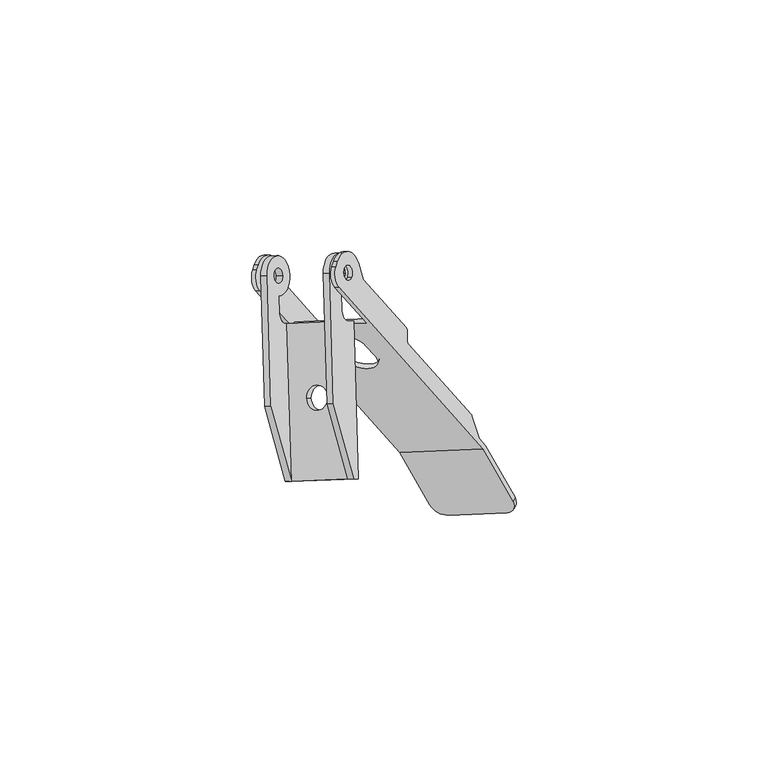
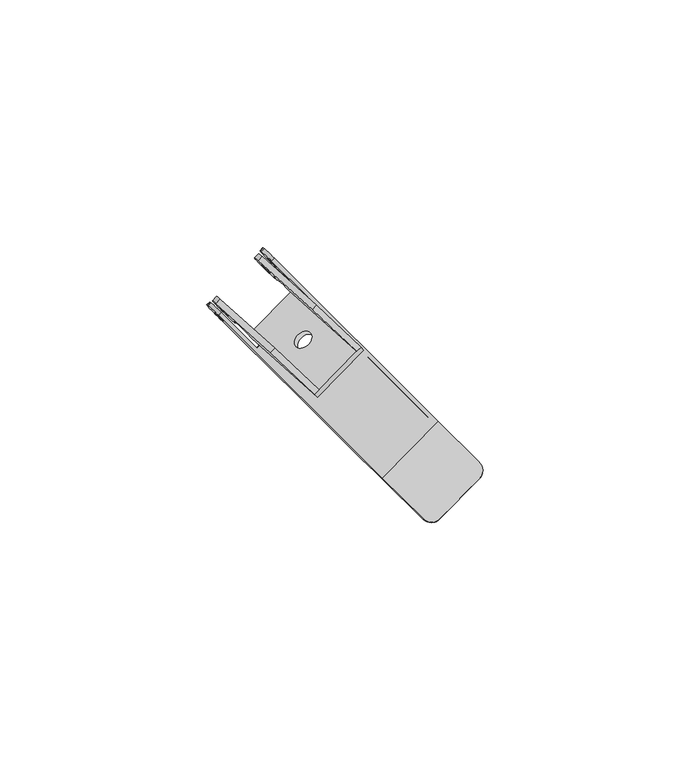
"""IFC4 building model written with IfcOpenShell, lengths in millimetres: proxy geometry."""

from ifc_helpers import new_model, si_unit, frame, origin, place, context, project, spatial, polyline, circle_curve, source, transform, mapped, element, save
from ifc_brep_helpers import plane_surface, cylinder_surface, revolved_surface, advanced_brep


def generic_models_d4cafb9f(model_context):
    return source(origin(), model_context, "Body", "AdvancedBrep", [
        advanced_brep(
        [(706.24065, 15.0870928, -377.8010434), (707.0804301, 15.0870928, -379.043931), (706.1473701, 46.4893429, -379.6743703), (705.0276634, 46.4893429, -378.0171868), (703.8485685, 48.4880583, -376.4001301), (703.7446393, 51.9858101, -376.4703519), (701.3864495, 55.9832407, -373.2362385), (702.1575779, 30.030818, -372.7152112), (702.7860829, 55.9832407, -375.3077177), (704.465643, 55.9832407, -377.7934928), (703.2235538, 55.9294855, -378.6327334), (701.5439938, 55.9294855, -376.1469583), (689.1231018, 55.3919336, -384.5393645), (690.365191, 55.4456888, -383.7001239), (692.0447511, 55.4456888, -386.185899), (690.8026619, 55.3919336, -387.0251396), (700.9154887, 29.9770628, -373.5544519), (700.1443603, 55.9294855, -374.0754791), (702.5025501, 51.9320549, -377.3095925), (702.6064793, 48.4343031, -377.2393708), (703.7855742, 46.4355878, -378.8564275), (704.0655009, 46.4355878, -379.2707233), (704.9985608, 15.0333376, -378.640284), (692.5776689, 14.4957857, -387.0326902), (693.8197581, 14.5495409, -386.1934496), (689.736686, 29.4932661, -381.1076174), (688.4945968, 29.4395109, -381.9468581), (693.417449, 14.4957857, -388.2755778), (692.8866982, 45.951791, -386.8238889), (700.9916592, 31.2929165, -381.3476215), (696.8513619, 31.1137326, -384.1450902), (692.6067715, 45.951791, -386.409593), (691.4276766, 47.9505063, -384.7925363), (691.3237474, 51.4482581, -384.8627581), (688.9655576, 55.4456888, -381.6286447), (687.7234684, 55.3919336, -382.4678853), (690.0816582, 51.394503, -385.7019987), (690.1855874, 47.8967512, -385.631777), (691.3646823, 45.8980358, -387.2488337), (692.484389, 45.8980358, -388.9060171), (697.691142, 31.1137326, -385.3879778), (701.8314393, 31.2929165, -382.5905091)],
        [
            (0, 1),
            (1, 2),
            (2, 3),
            (3, 4, circle_curve(frame((704.9682753, 48.4880583, -378.0573135), z_axis=(-0.8280594613883611, -0.0358367941265644, -0.5594937466960177), x_axis=(-0.5598533652634627, 0.0, 0.8285917024706293)), 2.0)),
            (4, 5),
            (5, 6, circle_curve(frame((703.625863, 55.9832407, -376.5506053), z_axis=(0.8280594613883611, 0.0358367941265644, 0.5594937466960177), x_axis=(0.5598533652634627, 0.0, -0.8285917024706293)), 4.0)),
            (6, 7),
            (7, 0),
            (8, 9, circle_curve(frame((703.625863, 55.9832407, -376.5506053), z_axis=(-0.8280594613883612, -0.03583679412656441, -0.5594937466960177), x_axis=(0.5598533652634626, 0.0, -0.8285917024706292)), 1.5)),
            (9, 8, circle_curve(frame((703.625863, 55.9832407, -376.5506053), z_axis=(-0.8280594613883612, -0.03583679412656441, -0.5594937466960177), x_axis=(0.5598533652634626, 0.0, -0.8285917024706292)), 1.5)),
            (9, 10),
            (10, 11, circle_curve(frame((702.3837738, 55.9294855, -377.3898459), z_axis=(-0.8280594613883612, -0.03583679412656441, -0.5594937466960177), x_axis=(0.5598533652634626, 0.0, -0.8285917024706292)), 1.5)),
            (11, 8),
            (12, 13),
            (13, 14, circle_curve(frame((691.2049711, 55.4456888, -384.9430115), z_axis=(0.8280594613883612, 0.03583679412656441, 0.5594937466960177), x_axis=(0.5598533652634626, 0.0, -0.8285917024706292)), 1.5)),
            (14, 15),
            (15, 12, circle_curve(frame((689.9628819, 55.3919336, -385.7822521), z_axis=(-0.8280594613883612, -0.03583679412656441, -0.5594937466960177), x_axis=(0.5598533652634626, 0.0, -0.8285917024706292)), 1.5)),
            (11, 10, circle_curve(frame((702.3837738, 55.9294855, -377.3898459), z_axis=(-0.8280594613883612, -0.03583679412656441, -0.5594937466960177), x_axis=(0.5598533652634626, 0.0, -0.8285917024706292)), 1.5)),
            (14, 13, circle_curve(frame((691.2049711, 55.4456888, -384.9430115), z_axis=(0.8280594613883612, 0.03583679412656441, 0.5594937466960177), x_axis=(0.5598533652634626, 0.0, -0.8285917024706292)), 1.5)),
            (12, 15, circle_curve(frame((689.9628819, 55.3919336, -385.7822521), z_axis=(-0.8280594613883612, -0.03583679412656441, -0.5594937466960177), x_axis=(0.5598533652634626, 0.0, -0.8285917024706292)), 1.5)),
            (16, 17),
            (17, 18, circle_curve(frame((702.3837738, 55.9294855, -377.3898459), z_axis=(-0.8280594613883611, -0.0358367941265644, -0.5594937466960177), x_axis=(0.5598533652634627, 0.0, -0.8285917024706293)), 4.0)),
            (18, 19),
            (19, 20, circle_curve(frame((703.7261861, 48.4343031, -378.8965542), z_axis=(0.8280594613883611, 0.0358367941265644, 0.5594937466960177), x_axis=(-0.5598533652634627, 0.0, 0.8285917024706293)), 2.0)),
            (20, 21),
            (21, 22),
            (22, 16),
            (7, 16),
            (22, 0),
            (23, 24),
            (24, 25),
            (25, 26),
            (26, 23),
            (23, 27),
            (27, 1),
            (22, 24),
            (21, 28),
            (28, 24),
            (29, 30, circle_curve(frame((698.9215106, 31.2033246, -382.7463559), z_axis=(0.5598533652634629, 0.0, -0.8285917024706293), x_axis=(-0.828059461388361, -0.0358367941265644, -0.5594937466960178)), 2.5)),
            (30, 29, circle_curve(frame((698.9215106, 31.2033246, -382.7463559), z_axis=(0.5598533652634629, 0.0, -0.8285917024706293), x_axis=(-0.828059461388361, -0.0358367941265644, -0.5594937466960178)), 2.5)),
            (28, 31),
            (31, 32, circle_curve(frame((692.5473833, 47.9505063, -386.4497197), z_axis=(-0.8280594613883611, -0.0358367941265644, -0.5594937466960177), x_axis=(-0.5598533652634627, 0.0, 0.8285917024706293)), 2.0)),
            (32, 33),
            (33, 34, circle_curve(frame((691.2049711, 55.4456888, -384.9430115), z_axis=(0.8280594613883611, 0.0358367941265644, 0.5594937466960177), x_axis=(0.5598533652634627, 0.0, -0.8285917024706293)), 4.0)),
            (34, 25),
            (34, 35),
            (35, 26),
            (35, 36, circle_curve(frame((689.9628819, 55.3919336, -385.7822521), z_axis=(-0.8280594613883611, -0.0358367941265644, -0.5594937466960177), x_axis=(0.5598533652634627, 0.0, -0.8285917024706293)), 4.0)),
            (36, 37),
            (37, 38, circle_curve(frame((691.3052941, 47.8967512, -387.2889604), z_axis=(0.8280594613883611, 0.0358367941265644, 0.5594937466960177), x_axis=(-0.5598533652634627, 0.0, 0.8285917024706293)), 2.0)),
            (38, 39),
            (39, 27),
            (39, 2),
            (40, 41, circle_curve(frame((699.7612906, 31.2033246, -383.9892434), z_axis=(-0.5598533652634629, 0.0, 0.8285917024706293), x_axis=(-0.828059461388361, -0.0358367941265644, -0.5594937466960178)), 2.5)),
            (41, 40, circle_curve(frame((699.7612906, 31.2033246, -383.9892434), z_axis=(-0.5598533652634629, 0.0, 0.8285917024706293), x_axis=(-0.828059461388361, -0.0358367941265644, -0.5594937466960178)), 2.5)),
            (38, 31),
            (20, 3),
            (19, 4),
            (18, 5),
            (36, 33),
            (32, 37),
            (17, 6),
            (30, 40),
            (41, 29),
        ],
        [
            plane_surface(frame((707.8439442, 36.4957664, -381.545216), z_axis=(0.8280594613883612, 0.03583679412656441, 0.5594937466960177), x_axis=(0.5598533652634627, 0.0, -0.8285917024706293))),
            revolved_surface(polyline([(703.2235538459246, 55.9294855109119, -378.63273346866816), (704.4656430423704, 55.98324070229059, -377.793492845676)]), (689.9628819, 55.3919336, -385.7822521), (-0.8280594613883608, -0.035836794126564396, -0.5594937466960175)),
            revolved_surface(polyline([(690.8026619336156, 55.39193359938201, -387.0251396633542), (692.0447511363817, 55.44568879103422, -386.1858990360916)]), (689.9628819, 55.3919336, -385.7822521), (-0.8280594613883608, -0.035836794126564396, -0.5594937466960175)),
            plane_surface(frame((706.601855, 36.4420112, -382.3844566), z_axis=(-0.8280594613883612, -0.03583679412656441, -0.5594937466960177), x_axis=(0.5598533652634627, 0.0, -0.8285917024706293))),
            plane_surface(frame((688.4945968, 29.4395109, -381.9468581), z_axis=(-0.5016053522216275, -0.39839535087401956, 0.767901826423524), x_axis=(0.2504188471897324, -0.916513430664656, -0.31191911192401844))),
            plane_surface(frame((668.0707618, 13.3382573, -408.4187051), z_axis=(0.029694070256419174, -0.9993576557903234, 0.02006334979201139), x_axis=(0.8280594613883611, 0.0358367941265644, 0.5594937466960178))),
            plane_surface(frame((705.6045308, 36.4957664, -378.2308492), z_axis=(-0.5598533652634627, 0.0, 0.8285917024706294), x_axis=(-0.029694070256419146, 0.9993576557903233, -0.020063349792011374))),
            plane_surface(frame((695.4230523, 35.9582145, -389.9376222), z_axis=(0.8280594613883612, 0.03583679412656441, 0.5594937466960177), x_axis=(0.5598533652634627, 0.0, -0.8285917024706293))),
            plane_surface(frame((688.0797973, 43.3996417, -382.2271251), z_axis=(-0.5598533652634627, 0.0, 0.8285917024706294), x_axis=(-0.029694070256419146, 0.9993576557903233, -0.020063349792011374))),
            plane_surface(frame((694.1809631, 35.9044593, -390.7768628), z_axis=(-0.8280594613883612, -0.03583679412656441, -0.5594937466960177), x_axis=(0.5598533652634627, 0.0, -0.8285917024706293))),
            plane_surface(frame((705.7465002, 59.9806713, -379.9452255), z_axis=(0.5598533652634627, 0.0, -0.8285917024706294), x_axis=(0.029694070256419146, -0.9993576557903233, 0.020063349792011374))),
            plane_surface(frame((704.9052809, 46.4355878, -380.5136109), z_axis=(-0.029694070256419174, 0.9993576557903234, -0.02006334979201139), x_axis=(-0.8280594613883611, -0.0358367941265644, -0.5594937466960178))),
            revolved_surface(polyline([(703.8485685654483, 48.48805822948303, -376.4001300845853), (702.6064792807067, 48.434303034283076, -377.2393707672362)]), (638.3972629, 45.606995, -423.0372538), (0.8280594613883611, 0.0358367941265644, 0.5594937466960177)),
            plane_surface(frame((690.2449755, 45.8980358, -385.5916503), z_axis=(0.5598533652634627, 0.0, -0.8285917024706294), x_axis=(-0.029694070256419146, 0.9993576557903233, -0.020063349792011374))),
            cylinder_surface(frame((637.0548507, 53.1021774, -421.5305455), z_axis=(0.8280594613883611, 0.0358367941265644, 0.5594937466960177), x_axis=(0.5598533652634627, 0.0, -0.8285917024706293)), 4.0),
            plane_surface(frame((701.7427784, 43.9909488, -372.9954783), z_axis=(-0.5598533652634627, 0.0, 0.8285917024706294), x_axis=(-0.029694070256419146, 0.9993576557903233, -0.020063349792011374))),
            revolved_surface(polyline([(691.4276766292496, 47.95050631691924, -384.7925362954129), (690.1855873560754, 47.896751122219904, -385.631776970248)]), (638.3972629, 45.606995, -423.0372538), (0.8280594613883611, 0.0358367941265644, 0.5594937466960177)),
            revolved_surface(polyline([(697.6911419750475, 31.113732614683588, -385.3879778456494), (696.8513618759902, 31.113732614683588, -384.1450902162227)]), (698.3616572, 31.2033246, -381.9177642), (0.5598533652634627, 0.0, -0.8285917024706291)),
        ],
        [
            (0, [[1, 2, 3, 4, 5, 6, 7, 8], [9, 10]]),
            (1, [[11, 12, 13, -10]]),
            (2, [[14, 15, 16, 17]]),
            (1, [[-13, 18, -11, -9]]),
            (2, [[-16, 19, -14, 20]]),
            (3, [[21, 22, 23, 24, 25, 26, 27], [-18, -12]]),
            (4, [[28, -27, 29, -8]]),
            (4, [[30, 31, 32, 33]]),
            (5, [[34, 35, -1, -29, 36, -30]]),
            (6, [[-26, 37, 38, -36], [39, 40]]),
            (7, [[-38, 41, 42, 43, 44, 45, -31], [-19, -15]]),
            (8, [[-45, 46, 47, -32]]),
            (9, [[-47, 48, 49, 50, 51, 52, -34, -33], [-20, -17]]),
            (10, [[53, -2, -35, -52], [54, 55]]),
            (11, [[-53, -51, 56, -41, -37, -25, 57, -3]]),
            (12, [[-4, -57, -24, 58]]),
            (13, [[-58, -23, 59, -5]]),
            (13, [[60, -43, 61, -49]]),
            (14, [[-59, -22, 62, -6]]),
            (14, [[-46, -44, -60, -48]]),
            (15, [[-7, -62, -21, -28]]),
            (16, [[-42, -56, -50, -61]]),
            (17, [[63, -55, 64, -40]]),
            (17, [[-64, -54, -63, -39]]),
        ],
    ),
        advanced_brep(
        [(729.4777995, 27.9509873, -409.8885195), (717.1097406, 41.8108396, -392.4713533), (716.8293777, 42.7324406, -392.1154425), (716.8555915, 44.2528311, -392.2516237), (716.5752287, 45.1744321, -391.8957128), (708.1235777, 54.6454926, -379.9937798), (707.1699683, 57.8685775, -378.7888686), (703.0107204, 58.3591841, -372.6645414), (702.6607024, 57.3115193, -372.079404), (703.2777743, 53.1642562, -372.7270388), (731.9343745, 21.051194, -413.082342), (737.8453252, 10.6111072, -421.1619308), (738.242323, 11.3260329, -421.7952862), (732.3435891, 21.7445421, -413.7323964), (731.0973726, 23.141073, -411.9774273), (729.6813806, 27.5720896, -410.1655535), (705.8035247, 55.2295213, -376.5974735), (704.3464094, 56.8623888, -374.5455089), (703.51835, 56.8265521, -375.1050027), (704.9754652, 55.1936845, -377.1569672), (689.2423355, 54.5127854, -387.7873484), (690.0703949, 54.5486222, -387.2278547), (688.6132797, 56.1814898, -385.1758901), (687.7852202, 56.145653, -385.7353839), (728.8533211, 27.5362528, -410.7250472), (730.2693131, 23.1052362, -412.5369211), (709.0438954, 46.8907918, -382.6464889), (708.763881, 46.0526599, -382.178379), (702.4497148, 53.1284194, -373.2865325), (701.8326429, 57.2756825, -372.6388977), (702.182661, 58.3233473, -373.2240351), (706.3419088, 57.8327407, -379.3483623), (707.2955183, 54.6096558, -380.5532736), (715.7471692, 45.1385953, -392.4552066), (716.0275321, 44.2169943, -392.8111174), (716.0013183, 42.6966038, -392.6749362), (716.2816811, 41.7750028, -393.0308471), (728.6497401, 27.9151505, -410.4480133), (712.9166103, 27.2342514, -421.0783945), (700.5485513, 41.0941037, -403.6612282), (701.3766108, 41.1299405, -403.1017345), (713.7446698, 27.2700882, -420.5189007), (713.9482508, 26.8911905, -420.7959346), (713.1201914, 26.8553537, -421.3554284), (701.0962479, 42.0515415, -402.7458237), (701.1224618, 43.571932, -402.8820048), (700.8420989, 44.493533, -402.526094), (692.3904479, 53.9645935, -390.624161), (691.4368385, 57.1876784, -389.4192498), (687.2775907, 57.678285, -383.2949226), (686.9275726, 56.6306202, -382.7097852), (687.5446445, 52.4833571, -383.35742), (693.8588107, 45.4075976, -392.2492664), (694.1388251, 46.2457295, -392.7173764), (715.3642428, 22.4601739, -422.6078085), (714.5361833, 22.4243371, -423.1673023), (715.7823999, 21.0278062, -424.9222714), (721.6811338, 10.609297, -432.9851612), (721.284136, 9.8943713, -432.3518057), (715.3731853, 20.3344581, -424.2722169), (686.716585, 52.4475203, -383.9169137), (686.0995131, 56.5947834, -383.2692789), (686.4495312, 57.6424482, -383.8544163), (690.608779, 57.1518416, -389.9787435), (691.5623885, 53.9287567, -391.1836547), (700.0140395, 44.4576962, -403.0855878), (700.2944023, 43.5360952, -403.4414986), (700.2681885, 42.0157047, -403.3053174), (708.5092244, 41.5191624, -390.4477533), (710.4520447, 39.3420057, -393.183706), (703.827569, 39.0553113, -397.659656), (701.8847487, 41.2324681, -394.9237032), (702.1647631, 42.0705999, -395.3918132), (704.1075835, 39.8934432, -398.1277659), (710.7320592, 40.1801375, -393.6518159), (708.7892388, 42.3572943, -390.9158632), (736.9841227, 9.0531657, -425.1495383), (725.3912902, 8.5514506, -432.9824507), (724.9942924, 7.8365249, -432.3490952), (736.5871249, 8.33824, -424.5161828)],
        [
            (0, 1),
            (1, 2, circle_curve(frame((717.389755, 42.6489714, -392.9394632), z_axis=(-0.8280594613883612, -0.03583679412656446, -0.5594937466960178), x_axis=(-0.2800144538404438, -0.8381318527622796, 0.4681099262200136)), 1.0)),
            (2, 3),
            (3, 4, circle_curve(frame((716.2952142, 44.3363003, -391.4276029), z_axis=(0.8280594613883612, 0.035836794126564354, 0.5594937466960176), x_axis=(0.5603772944303183, -0.08346916705760438, -0.8240207436937896)), 1.0)),
            (4, 5),
            (5, 6),
            (6, 7, circle_curve(frame((705.0749671, 56.0459551, -375.5714912), z_axis=(0.8280594613883612, 0.03583679412656433, 0.5594937466960178), x_axis=(0.4857050895817897, -0.5442891892845217, -0.6839881902360183)), 4.25)),
            (7, 8),
            (8, 9, circle_curve(frame((704.1178176, 55.6786517, -374.1313686), z_axis=(0.8280594613883612, 0.03583679412656424, 0.5594937466960176), x_axis=(-0.4857050895817896, 0.5442891892845216, 0.6839881902360184)), 3.0)),
            (9, 10),
            (10, 11),
            (11, 12),
            (12, 13),
            (13, 14),
            (14, 15),
            (15, 0, circle_curve(frame((729.1977851, 27.1128554, -409.4204096), z_axis=(0.8280594613883612, 0.035836794126564465, 0.5594937466960177), x_axis=(0.4835955252475831, 0.45923414199125334, -0.7451438591239087)), 1.0)),
            (16, 17, circle_curve(frame((705.0749671, 56.0459551, -375.5714912), z_axis=(-0.8280594613883612, -0.03583679412656424, -0.5594937466960176), x_axis=(0.4857050895817896, -0.5442891892845216, -0.6839881902360184)), 1.5)),
            (17, 16, circle_curve(frame((705.0749671, 56.0459551, -375.5714912), z_axis=(-0.8280594613883612, -0.03583679412656424, -0.5594937466960176), x_axis=(0.4857050895817896, -0.5442891892845216, -0.6839881902360184)), 1.5)),
            (17, 18),
            (18, 19, circle_curve(frame((704.2469076, 56.0101183, -376.130985), z_axis=(-0.8280594613883612, -0.03583679412656424, -0.5594937466960176), x_axis=(0.4857050895817896, -0.5442891892845216, -0.6839881902360184)), 1.5)),
            (19, 16),
            (20, 21),
            (21, 22, circle_curve(frame((689.3418373, 55.365056, -386.2018724), z_axis=(0.8280594613883612, 0.03583679412656424, 0.5594937466960176), x_axis=(0.4857050895817896, -0.5442891892845216, -0.6839881902360184)), 1.5)),
            (22, 23),
            (23, 20, circle_curve(frame((688.5137778, 55.3292192, -386.7613661), z_axis=(-0.8280594613883612, -0.03583679412656424, -0.5594937466960176), x_axis=(0.4857050895817896, -0.5442891892845216, -0.6839881902360184)), 1.5)),
            (19, 18, circle_curve(frame((704.2469076, 56.0101183, -376.130985), z_axis=(-0.8280594613883612, -0.03583679412656424, -0.5594937466960176), x_axis=(0.4857050895817896, -0.5442891892845216, -0.6839881902360184)), 1.5)),
            (22, 21, circle_curve(frame((689.3418373, 55.365056, -386.2018724), z_axis=(0.8280594613883612, 0.03583679412656424, 0.5594937466960176), x_axis=(0.4857050895817896, -0.5442891892845216, -0.6839881902360184)), 1.5)),
            (20, 23, circle_curve(frame((688.5137778, 55.3292192, -386.7613661), z_axis=(-0.8280594613883612, -0.03583679412656424, -0.5594937466960176), x_axis=(0.4857050895817896, -0.5442891892845216, -0.6839881902360184)), 1.5)),
            (24, 25),
            (25, 26),
            (26, 27),
            (27, 28),
            (28, 29, circle_curve(frame((703.2897582, 55.6428149, -374.6908623), z_axis=(-0.8280594613883612, -0.03583679412656424, -0.5594937466960176), x_axis=(-0.4857050895817896, 0.5442891892845216, 0.6839881902360184)), 3.0)),
            (29, 30),
            (30, 31, circle_curve(frame((704.2469076, 56.0101183, -376.130985), z_axis=(-0.8280594613883612, -0.03583679412656433, -0.5594937466960178), x_axis=(0.4857050895817897, -0.5442891892845217, -0.6839881902360183)), 4.25)),
            (31, 32),
            (32, 33),
            (33, 34, circle_curve(frame((715.4671548, 44.3004635, -391.9870967), z_axis=(-0.8280594613883612, -0.035836794126564354, -0.5594937466960176), x_axis=(0.5603772944303183, -0.08346916705760438, -0.8240207436937896)), 1.0)),
            (34, 35),
            (35, 36, circle_curve(frame((716.5616955, 42.6131346, -393.498957), z_axis=(0.8280594613883612, 0.03583679412656446, 0.5594937466960178), x_axis=(-0.2800144538404438, -0.8381318527622796, 0.4681099262200136)), 1.0)),
            (36, 37),
            (37, 24, circle_curve(frame((728.3697256, 27.0770186, -409.9799033), z_axis=(-0.8280594613883612, -0.035836794126564465, -0.5594937466960177), x_axis=(0.4835955252475831, 0.45923414199125334, -0.7451438591239087)), 1.0)),
            (15, 24),
            (37, 0),
            (38, 39),
            (39, 40),
            (40, 41),
            (41, 38),
            (36, 1),
            (42, 43),
            (43, 38, circle_curve(frame((712.6365958, 26.3961196, -420.6102845), z_axis=(0.8280594613883612, 0.035836794126564465, 0.5594937466960177), x_axis=(0.4835955252475831, 0.45923414199125334, -0.7451438591239087)), 1.0)),
            (41, 42, circle_curve(frame((713.4646553, 26.4319563, -420.0507908), z_axis=(-0.8280594613883612, -0.035836794126564465, -0.5594937466960177), x_axis=(0.4835955252475831, 0.45923414199125334, -0.7451438591239087)), 1.0)),
            (40, 44, circle_curve(frame((701.6566252, 41.9680723, -403.5698444), z_axis=(-0.8280594613883612, -0.03583679412656446, -0.5594937466960178), x_axis=(-0.2800144538404438, -0.8381318527622796, 0.4681099262200136)), 1.0)),
            (44, 45),
            (45, 46, circle_curve(frame((700.5620845, 43.6554012, -402.0579841), z_axis=(0.8280594613883612, 0.035836794126564354, 0.5594937466960176), x_axis=(0.5603772944303183, -0.08346916705760438, -0.8240207436937896)), 1.0)),
            (46, 47),
            (47, 48),
            (48, 49, circle_curve(frame((689.3418373, 55.365056, -386.2018724), z_axis=(0.8280594613883612, 0.03583679412656433, 0.5594937466960178), x_axis=(0.4857050895817897, -0.5442891892845217, -0.6839881902360183)), 4.25)),
            (49, 50),
            (50, 51, circle_curve(frame((688.3846879, 54.9977526, -384.7617498), z_axis=(0.8280594613883612, 0.03583679412656424, 0.5594937466960176), x_axis=(-0.4857050895817896, 0.5442891892845216, 0.6839881902360184)), 3.0)),
            (51, 52),
            (52, 53),
            (53, 54),
            (54, 42),
            (54, 55),
            (55, 43),
            (14, 25),
            (55, 56),
            (56, 57),
            (57, 58),
            (58, 59),
            (59, 60),
            (60, 61, circle_curve(frame((687.5566284, 54.9619159, -385.3212435), z_axis=(-0.8280594613883612, -0.03583679412656424, -0.5594937466960176), x_axis=(-0.4857050895817896, 0.5442891892845216, 0.6839881902360184)), 3.0)),
            (61, 62),
            (62, 63, circle_curve(frame((688.5137778, 55.3292192, -386.7613661), z_axis=(-0.8280594613883612, -0.03583679412656433, -0.5594937466960178), x_axis=(0.4857050895817897, -0.5442891892845217, -0.6839881902360183)), 4.25)),
            (63, 64),
            (64, 65),
            (65, 66, circle_curve(frame((699.734025, 43.6195644, -402.6174778), z_axis=(-0.8280594613883612, -0.035836794126564354, -0.5594937466960176), x_axis=(0.5603772944303183, -0.08346916705760438, -0.8240207436937896)), 1.0)),
            (66, 67),
            (67, 39, circle_curve(frame((700.8285658, 41.9322355, -404.1293382), z_axis=(0.8280594613883612, 0.03583679412656446, 0.5594937466960178), x_axis=(-0.2800144538404438, -0.8381318527622796, 0.4681099262200136)), 1.0)),
            (67, 44),
            (66, 45),
            (2, 35),
            (34, 3),
            (65, 46),
            (64, 47),
            (32, 5),
            (4, 33),
            (31, 6),
            (63, 48),
            (30, 7),
            (62, 49),
            (61, 50),
            (29, 8),
            (60, 51),
            (59, 10),
            (9, 28),
            (27, 52),
            (68, 69),
            (69, 70, circle_curve(frame((707.1398069, 39.1986585, -395.421681), z_axis=(0.28001445384044543, 0.8381318527622776, -0.46810992622001585), x_axis=(0.4857050895817897, -0.5442891892845217, -0.6839881902360184)), 4.0)),
            (70, 71),
            (71, 68, circle_curve(frame((705.1969865, 41.3758153, -392.6857282), z_axis=(0.2800144538404457, 0.8381318527622775, -0.46810992622001607), x_axis=(-0.48570508958178815, 0.5442891892845221, 0.6839881902360193)), 4.0)),
            (26, 53),
            (13, 56),
            (72, 73),
            (73, 74, circle_curve(frame((707.4198213, 40.0367904, -395.8897909), z_axis=(-0.28001445384044543, -0.8381318527622776, 0.46810992622001585), x_axis=(0.4857050895817897, -0.5442891892845217, -0.6839881902360184)), 4.0)),
            (74, 75),
            (75, 72, circle_curve(frame((705.477001, 42.2139471, -393.1538382), z_axis=(-0.2800144538404457, -0.8381318527622775, 0.46810992622001607), x_axis=(-0.48570508958178815, 0.5442891892845221, 0.6839881902360193)), 4.0)),
            (12, 76, circle_curve(frame((735.7581446, 11.2185225, -423.4737675), z_axis=(0.38381644685475835, 0.6911883015382871, -0.6123264382177257), x_axis=(0.828059461388361, 0.03583679412656441, 0.5594937466960178)), 3.0)),
            (76, 77),
            (77, 57, circle_curve(frame((724.1653122, 10.7168074, -431.3066799), z_axis=(0.38381644685475835, 0.6911883015382871, -0.6123264382177257), x_axis=(-0.828059461388361, -0.03583679412656441, -0.5594937466960178)), 3.0)),
            (77, 78),
            (78, 58, circle_curve(frame((723.7683144, 10.0018817, -430.6733244), z_axis=(0.38381644685475835, 0.6911883015382871, -0.6123264382177257), x_axis=(-0.828059461388361, -0.03583679412656441, -0.5594937466960178)), 3.0)),
            (78, 79),
            (79, 11, circle_curve(frame((735.3611468, 10.5035968, -422.840412), z_axis=(-0.38381644685475835, -0.6911883015382871, 0.6123264382177257), x_axis=(0.828059461388361, 0.03583679412656441, 0.5594937466960178)), 3.0)),
            (79, 76),
            (75, 68),
            (71, 72),
            (70, 73),
            (69, 74),
        ],
        [
            plane_surface(frame((724.4059457, 29.4876764, -402.4805251), z_axis=(0.8280594613883611, 0.03583679412656429, 0.5594937466960177), x_axis=(0.4857050895817897, -0.5442891892845217, -0.6839881902360184))),
            revolved_surface(polyline([(705.8035247343727, 55.22952131607322, -376.59747348535404), (704.9754652216393, 55.19368451972454, -377.1569672667423)]), (705.0749671, 56.0459551, -375.5714912), (0.828059461388361, 0.035836794126564236, 0.5594937466960175)),
            revolved_surface(polyline([(690.0703949695086, 54.54862222773405, -387.2278546715549), (689.2423354567752, 54.512785431385375, -387.78734845294315)]), (705.0749671, 56.0459551, -375.5714912), (0.828059461388361, 0.035836794126564236, 0.5594937466960175)),
            plane_surface(frame((698.2001594, 69.3810504, -368.0381408), z_axis=(-0.8280594613883612, -0.03583679412656443, -0.5594937466960179), x_axis=(-0.2800144538404456, -0.8381318527622778, 0.46810992622001596))),
            cylinder_surface(frame((691.0474296, 25.4617827, -435.1974055), z_axis=(0.828059461388361, 0.03583679412656446, 0.5594937466960176), x_axis=(0.4835955252475831, 0.45923414199125334, -0.7451438591239087)), 1.0),
            plane_surface(frame((716.8191034, 42.1365324, -392.0620671), z_axis=(0.2800144538404455, 0.8381318527622779, -0.46810992622001596), x_axis=(0.4857050895817897, -0.5442891892845217, -0.6839881902360184))),
            plane_surface(frame((680.7819351, 61.2136822, -373.9077011), z_axis=(0.8280594613883612, 0.03583679412656443, 0.5594937466960179), x_axis=(0.2800144538404456, 0.8381318527622778, -0.46810992622001596))),
            plane_surface(frame((729.6063245, 27.80696, -410.0695133), z_axis=(0.48359552524758337, 0.4592341419912529, -0.745143859123909), x_axis=(0.28364219778751426, -0.8875920949491879, -0.3629426629895976))),
            plane_surface(frame((707.8447564, 28.7709406, -413.6704), z_axis=(-0.8280594613883611, -0.03583679412656429, -0.5594937466960177), x_axis=(0.4857050895817897, -0.5442891892845217, -0.6839881902360184))),
            revolved_surface(polyline([(700.5485513429091, 41.09410366831802, -403.66122827031967), (701.3766108134099, 41.129940462838945, -403.1017345174667)]), (738.9789213, 43.5833083, -378.3523423), (-0.8280594613883612, -0.03583679412656446, -0.5594937466960178)),
            plane_surface(frame((716.8658659, 44.8487393, -392.3049991), z_axis=(0.5603772944303184, -0.08346916705760349, -0.8240207436937896), x_axis=(-0.017170215262881622, -0.9958657652201125, 0.08919955924995471))),
            cylinder_surface(frame((678.1448587, 42.6852275, -417.2045988), z_axis=(0.8280594613883612, 0.035836794126564354, 0.5594937466960176), x_axis=(0.5603772944303183, -0.08346916705760438, -0.8240207436937896)), 1.0),
            plane_surface(frame((708.1235777, 54.6454926, -379.9937798), z_axis=(0.2800144538404455, 0.8381318527622779, -0.46810992622001596), x_axis=(0.4857050895817897, -0.5442891892845217, -0.6839881902360184))),
            plane_surface(frame((707.1699683, 57.8685775, -378.7888686), z_axis=(0.4929414645730654, 0.4288523410754188, -0.7570299743462567), x_axis=(0.26706973042592963, -0.9026634997278128, -0.33744979678369696))),
            cylinder_surface(frame((705.0749671, 56.0459551, -375.5714912), z_axis=(-0.828059461388361, -0.03583679412656432, -0.5594937466960177), x_axis=(0.4857050895817897, -0.5442891892845217, -0.6839881902360183)), 4.25),
            plane_surface(frame((701.820659, 54.7971237, -370.6750742), z_axis=(-0.48570508958178976, 0.5442891892845219, 0.6839881902360186), x_axis=(0.2800144538404456, 0.8381318527622778, -0.46810992622001596))),
            cylinder_surface(frame((665.9674621, 54.027579, -399.9083645), z_axis=(0.828059461388361, 0.035836794126564236, 0.5594937466960175), x_axis=(-0.4857050895817896, 0.5442891892845216, 0.6839881902360184)), 3.0),
            plane_surface(frame((731.9343745, 21.051194, -413.082342), z_axis=(-0.2800144538404455, -0.8381318527622779, 0.46810992622001596), x_axis=(-0.4857050895817897, 0.5442891892845217, 0.6839881902360184))),
            plane_surface(frame((693.8588107, 45.4075976, -392.2492664), z_axis=(-0.4857050895817899, 0.5442891892845219, 0.6839881902360184), x_axis=(0.8280594613883611, 0.0358367941265644, 0.5594937466960178))),
            plane_surface(frame((708.9005447, 48.0152069, -380.7190188), z_axis=(0.2800144538404455, 0.8381318527622779, -0.46810992622001596), x_axis=(0.4857050895817897, -0.5442891892845217, -0.6839881902360184))),
            plane_surface(frame((732.3435891, 21.7445421, -413.7323964), z_axis=(0.3838164468547596, 0.6911883015382851, -0.6123264382177275), x_axis=(0.408659349004773, -0.7217856025187472, -0.558590261701405))),
            cylinder_surface(frame((728.0389095, 17.692499, -437.4864726), z_axis=(-0.38381644685475835, -0.6911883015382871, 0.6123264382177257), x_axis=(-0.828059461388361, -0.03583679412656441, -0.5594937466960178)), 3.0),
            plane_surface(frame((739.0713033, 8.4457504, -422.8377015), z_axis=(-0.38381644685475963, -0.6911883015382849, 0.6123264382177276), x_axis=(-0.4086593490047729, 0.7217856025187475, 0.5585902617014048))),
            cylinder_surface(frame((732.5201832, 5.3875033, -418.3080446), z_axis=(0.38381644685475835, 0.6911883015382871, -0.6123264382177257), x_axis=(0.828059461388361, 0.03583679412656441, 0.5594937466960178)), 3.0),
            plane_surface(frame((739.468301, 9.1606761, -423.471057), z_axis=(0.40865934900477424, -0.7217856025187454, -0.5585902617014068), x_axis=(-0.3838164468547583, -0.6911883015382871, 0.6123264382177258))),
            revolved_surface(polyline([(703.2541661393622, 43.55297205022179, -389.9497754351931), (703.5341805966303, 44.39110391324405, -390.41788536714347)]), (705.1969865, 41.3758153, -392.6857282), (-0.2800144538404457, -0.8381318527622775, 0.46810992622001607)),
            plane_surface(frame((701.8847487, 41.2324681, -394.9237032), z_axis=(0.8280594613883611, 0.03583679412656429, 0.5594937466960177), x_axis=(0.4857050895817897, -0.5442891892845217, -0.6839881902360184))),
            revolved_surface(polyline([(709.0826272502767, 37.02150171876548, -398.1576337474858), (709.3626417155954, 37.859633605884156, -398.62574369289445)]), (707.1398069, 39.1986585, -395.421681), (-0.2800144538404455, -0.8381318527622779, 0.46810992622001596)),
            plane_surface(frame((710.4520447, 39.3420057, -393.183706), z_axis=(-0.8280594613883611, -0.03583679412656429, -0.5594937466960177), x_axis=(-0.4857050895817897, 0.5442891892845217, 0.6839881902360184))),
            revolved_surface(polyline([(716.2816810700363, 41.775002755024005, -393.0308471096165), (717.1097406091052, 41.810839552512434, -392.47135331043415)]), (738.9789213, 43.5833083, -378.3523423), (-0.8280594613883612, -0.03583679412656446, -0.5594937466960178)),
        ],
        [
            (0, [[1, 2, 3, 4, 5, 6, 7, 8, 9, 10, 11, 12, 13, 14, 15, 16], [17, 18]]),
            (1, [[19, 20, 21, -18]]),
            (2, [[22, 23, 24, 25]]),
            (1, [[-21, 26, -19, -17]]),
            (2, [[-24, 27, -22, 28]]),
            (3, [[29, 30, 31, 32, 33, 34, 35, 36, 37, 38, 39, 40, 41, 42], [-26, -20]]),
            (4, [[43, -42, 44, -16]]),
            (5, [[45, 46, 47, 48]]),
            (5, [[-41, 49, -1, -44]]),
            (4, [[50, 51, -48, 52]]),
            (6, [[-47, 53, 54, 55, 56, 57, 58, 59, 60, 61, 62, 63, 64, -52], [-27, -23]]),
            (7, [[-64, 65, 66, -50]]),
            (7, [[-15, 67, -29, -43]]),
            (8, [[-66, 68, 69, 70, 71, 72, 73, 74, 75, 76, 77, 78, 79, 80, -45, -51], [-28, -25]]),
            (9, [[-80, 81, -53, -46]]),
            (10, [[-54, -81, -79, 82]]),
            (10, [[-3, 83, -39, 84]]),
            (11, [[-82, -78, 85, -55]]),
            (12, [[-77, 86, -56, -85]]),
            (12, [[-37, 87, -5, 88]]),
            (13, [[89, -6, -87, -36]]),
            (13, [[-86, -76, 90, -57]]),
            (14, [[91, -7, -89, -35]]),
            (14, [[-90, -75, 92, -58]]),
            (15, [[-59, -92, -74, 93]]),
            (15, [[-8, -91, -34, 94]]),
            (16, [[-93, -73, 95, -60]]),
            (17, [[-72, 96, -10, 97, -32, 98, -61, -95], [99, 100, 101, 102]]),
            (18, [[-62, -98, -31, 103]]),
            (19, [[-30, -67, -14, 104, -68, -65, -63, -103], [105, 106, 107, 108]]),
            (20, [[-69, -104, -13, 109, 110, 111]]),
            (21, [[-70, -111, 112, 113]]),
            (22, [[114, 115, -11, -96, -71, -113]]),
            (23, [[-12, -115, 116, -109]]),
            (24, [[-110, -116, -114, -112]]),
            (25, [[117, -102, 118, -108]]),
            (26, [[-118, -101, 119, -105]]),
            (27, [[-119, -100, 120, -106]]),
            (28, [[-120, -99, -117, -107]]),
            (16, [[-94, -33, -97, -9]]),
            (11, [[-84, -38, -88, -4]]),
            (29, [[-40, -83, -2, -49]]),
        ],
    ),
    ])


if __name__ == "__main__":
    model = new_model("IFC4")
    model_context = context("Model", 3, world=origin())
    ifc_project = project(units=[si_unit("LENGTHUNIT", "METRE", prefix="MILLI")], contexts=[model_context])
    site = spatial("IfcSite", under=ifc_project)
    building = spatial("IfcBuilding", under=site)
    placement = place(None, origin())
    generic_models_shape = generic_models_d4cafb9f(model_context)
    element("IfcBuildingElementProxy", 1, Name="Generic Models", at=placement, inside=building, context=model_context, shape_type="MappedRepresentation", body=[
        mapped(generic_models_shape, transform((0.0, 0.0, 0.0), x_axis=(1.0, 0.0, 0.0), y_axis=(0.0, 1.0, 0.0), z_axis=(0.0, 0.0, 1.0))),
    ])
    save(model, "model.ifc")
